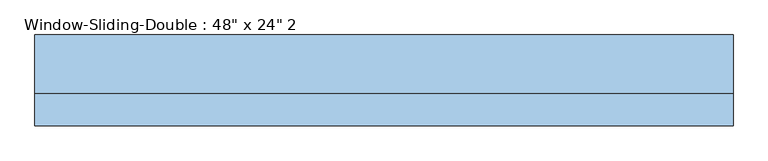
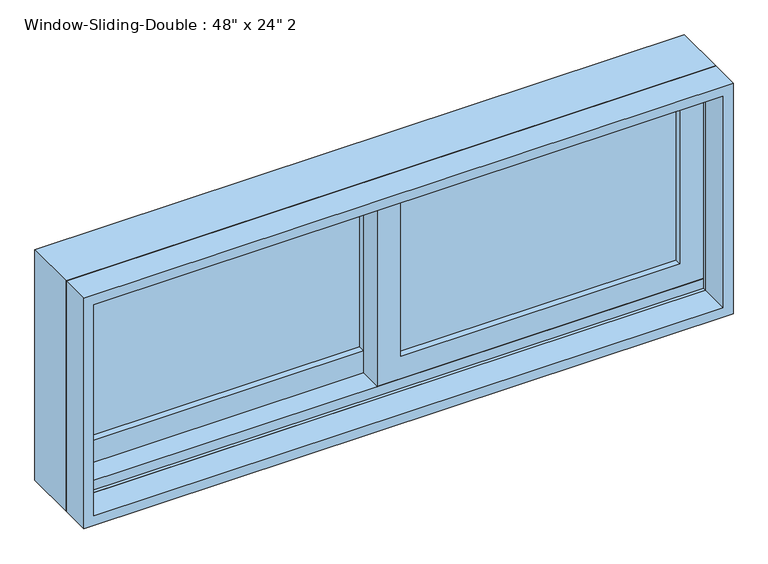
"""IFC4 building model written with IfcOpenShell, lengths in millimetres: window geometry."""

from ifc_helpers import new_model, si_unit, frame, origin, place, context, project, spatial, polyline, outline, extrude, faceted_brep, source, transform, mapped, element, save


def window_dda663e7(model_context):
    return source(origin(), model_context, "Body", "SolidModel", [
        faceted_brep([(-609.6, -16.51, 914.4), (-609.6, 85.09, 914.4), (609.6, 85.09, 914.4), (609.6, -16.51, 914.4), (-568.6778905, 85.09, 1330.6778905), (-568.6778905, 78.74, 1330.6778905), (-568.6778905, 78.74, 933.45), (-568.6778905, 85.09, 933.45), (568.6778905, 78.74, 1330.6778905), (568.6778905, 78.74, 933.45), (590.55, 78.74, 933.45), (590.55, 78.74, 1352.55), (-590.55, 78.74, 1352.55), (-590.55, 78.74, 933.45), (-590.55, -16.51, 1352.55), (-590.55, -16.51, 933.45), (-590.55, -10.16, 933.45), (-590.55, -10.16, 952.5), (-590.55, 34.29, 952.5), (-590.55, 34.29, 933.45), (609.6, -16.51, 1371.6), (-609.6, -16.51, 1371.6), (590.55, -16.51, 1352.55), (590.55, -16.51, 933.45), (-609.6, 85.09, 1371.6), (609.6, 85.09, 1371.6), (568.6778905, 85.09, 933.45), (568.6778905, 85.09, 1330.6778905), (590.55, 34.29, 933.45), (590.55, 34.29, 952.5), (590.55, -10.16, 952.5), (590.55, -10.16, 933.45)], [[[0, 1, 2, 3]], [[4, 5, 6, 7]], [[5, 8, 9, 10, 11, 12, 13, 6]], [[12, 14, 15, 16, 17, 18, 19, 13]], [[0, 3, 20, 21], [22, 23, 15, 14]], [[24, 1, 0, 21]], [[2, 1, 24, 25], [4, 7, 26, 27]], [[5, 4, 27, 8]], [[12, 11, 22, 14]], [[21, 20, 25, 24]], [[8, 27, 26, 9]], [[22, 11, 10, 28, 29, 30, 31, 23]], [[20, 3, 2, 25]], [[26, 7, 6, 13, 19, 28, 10, 9]], [[28, 19, 18, 29]], [[29, 18, 17, 30]], [[30, 17, 16, 31]], [[15, 23, 31, 16]]]),
        extrude(outline(polyline([(1371.6, -609.6), (914.4, -609.6), (914.4, 609.6), (1371.6, 609.6), (1371.6, -609.6)]), holes=[polyline([(1352.55, 590.55), (933.45, 590.55), (933.45, -590.55), (1352.55, -590.55), (1352.55, 590.55)])]), frame((0.0, -73.66, 0.0), z_axis=(0.0, 1.0, 0.0), x_axis=(0.0, 0.0, 1.0)), (0.0, 0.0, 1.0), 57.15),
        extrude(outline(polyline([(546.1, 21.59), (546.1, 15.24), (22.225, 15.24), (22.225, 21.59), (546.1, 21.59)])), frame((0.0, 0.0, 996.95), z_axis=(0.0, 0.0, 1.0), x_axis=(1.0, 0.0, 0.0)), (0.0, 0.0, 1.0), 311.15),
        extrude(outline(polyline([(546.1, 8.89), (546.1, 2.54), (22.225, 2.54), (22.225, 8.89), (546.1, 8.89)])), frame((0.0, 0.0, 996.95), z_axis=(0.0, 0.0, 1.0), x_axis=(1.0, 0.0, 0.0)), (0.0, 0.0, 1.0), 311.15),
        extrude(outline(polyline([(-22.225, 66.04), (-22.225, 59.69), (-546.1, 59.69), (-546.1, 66.04), (-22.225, 66.04)])), frame((0.0, 0.0, 996.95), z_axis=(0.0, 0.0, 1.0), x_axis=(1.0, 0.0, 0.0)), (0.0, 0.0, 1.0), 311.15),
        extrude(outline(polyline([(-22.225, 53.34), (-22.225, 46.99), (-546.1, 46.99), (-546.1, 53.34), (-22.225, 53.34)])), frame((0.0, 0.0, 996.95), z_axis=(0.0, 0.0, 1.0), x_axis=(1.0, 0.0, 0.0)), (0.0, 0.0, 1.0), 311.15),
        extrude(outline(polyline([(933.45, -590.55), (933.45, 22.225), (1352.55, 22.225), (1352.55, -590.55), (933.45, -590.55)]), holes=[polyline([(1308.1, -22.225), (996.95, -22.225), (996.95, -546.1), (1308.1, -546.1), (1308.1, -22.225)])]), frame((0.0, 34.29, 0.0), z_axis=(0.0, 1.0, 0.0), x_axis=(0.0, 0.0, 1.0)), (0.0, 0.0, 1.0), 44.45),
        extrude(outline(polyline([(952.5, 590.55), (1352.55, 590.55), (1352.55, -22.225), (952.5, -22.225), (952.5, 590.55)]), holes=[polyline([(996.95, 22.225), (1308.1, 22.225), (1308.1, 546.1), (996.95, 546.1), (996.95, 22.225)])]), frame((0.0, -10.16, 0.0), z_axis=(0.0, 1.0, 0.0), x_axis=(0.0, 0.0, 1.0)), (0.0, 0.0, 1.0), 44.45),
    ])


if __name__ == "__main__":
    model = new_model("IFC4")
    model_context = context("Model", 3, world=origin())
    ifc_project = project(units=[si_unit("LENGTHUNIT", "METRE", prefix="MILLI")], contexts=[model_context])
    site = spatial("IfcSite", under=ifc_project)
    building = spatial("IfcBuilding", under=site)
    placement = place(None, origin())
    window_shape = window_dda663e7(model_context)
    element("IfcWindow", 1, ObjectType="Window-Sliding-Double : 48\" x 24\" 2", at=placement, inside=building, context=model_context, shape_type="MappedRepresentation", body=[
        mapped(window_shape, transform((0.0, 0.0, 0.0), x_axis=(1.0, 0.0, 0.0), y_axis=(0.0, 1.0, 0.0), z_axis=(0.0, 0.0, 1.0))),
    ])
    save(model, "model.ifc")
